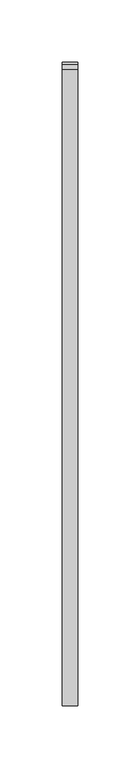
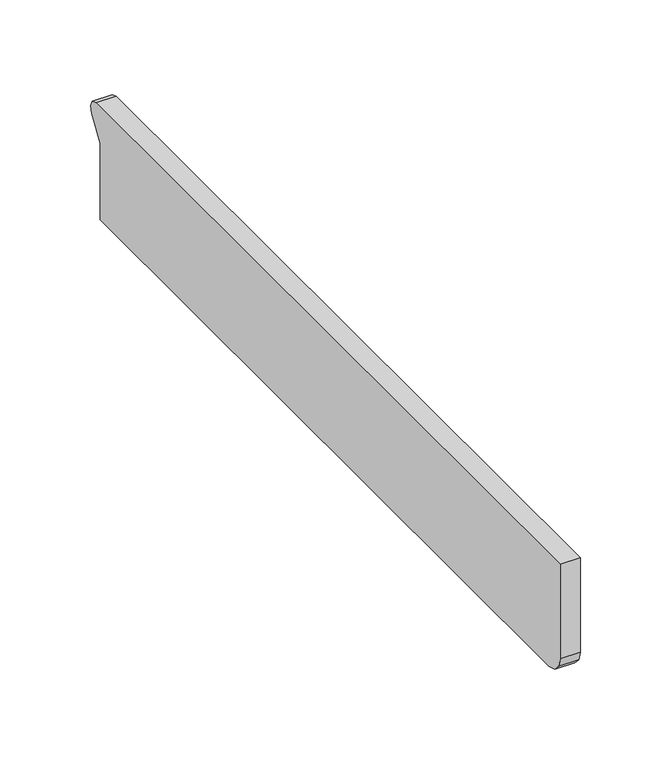
"""IFC4 building model written with IfcOpenShell, lengths in millimetres: furniture geometry."""

from ifc_helpers import new_model, si_unit, frame, origin, place, context, project, spatial, polyline, outline, extrude, source, transform, mapped, element, save


def furniture_a8781761(model_context):
    return source(origin(), model_context, "Body", "SweptSolid", [
        extrude(outline(polyline([(34.4332919, 911.8203125), (28.0832818, 913.5217918), (23.4347672, 918.1703064), (21.75256, 924.4483941), (21.75256, 987.9845861), (534.577278, 987.9845861), (538.79875, 986.378198), (540.8843422, 982.3717837), (539.7789227, 977.9923817), (530.0573867, 963.3644501), (530.0573867, 911.8203125), (34.4332919, 911.8203125)])), frame((12.3877049, 0.0, 0.0), z_axis=(1.0, 0.0, 0.0), x_axis=(0.0, 1.0, 0.0)), (0.0, 0.0, 1.0), 12.7),
    ])


if __name__ == "__main__":
    model = new_model("IFC4")
    model_context = context("Model", 3, world=origin())
    ifc_project = project(units=[si_unit("LENGTHUNIT", "METRE", prefix="MILLI")], contexts=[model_context])
    site = spatial("IfcSite", under=ifc_project)
    building = spatial("IfcBuilding", under=site)
    placement = place(None, origin())
    furniture_shape = furniture_a8781761(model_context)
    element("IfcFurniture", 1, at=placement, inside=building, context=model_context, shape_type="MappedRepresentation", body=[
        mapped(furniture_shape, transform((0.0, 0.0, 0.0), x_axis=(1.0, 0.0, 0.0), y_axis=(0.0, 1.0, 0.0), z_axis=(0.0, 0.0, 1.0))),
    ])
    save(model, "model.ifc")
